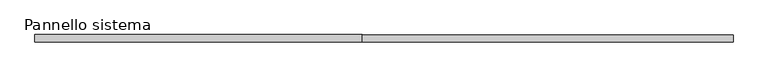
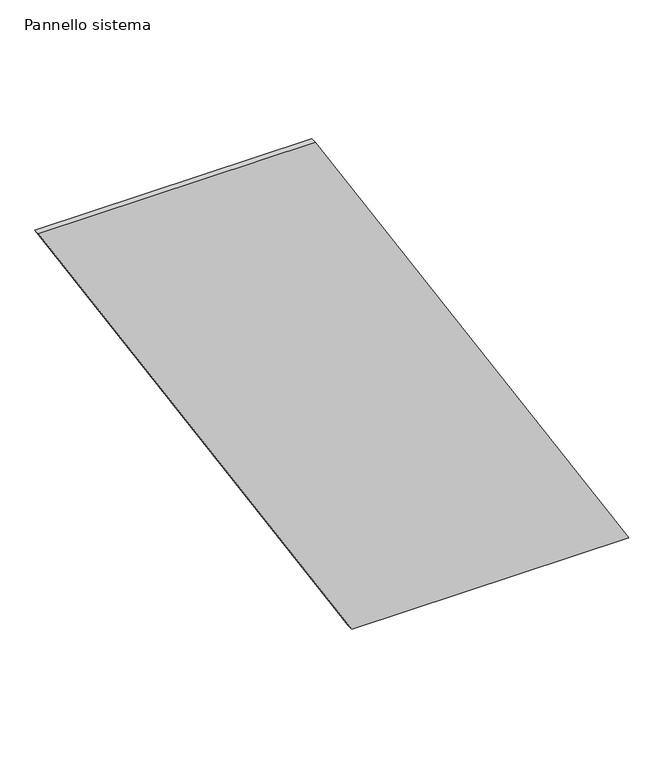
"""IFC4 building model written with IfcOpenShell, lengths in millimetres: plate geometry, Pannello sistema."""

import ifcopenshell
import ifcopenshell.guid

model = None  # the IFC model being written
_history = None  # IfcOwnerHistory: only IFC2X3 demands one
_inside = {}  # id of a spatial element -> (the spatial element, [elements in it])
_under = {}  # id of a project, library or spatial element -> (it, [spatial elements below it])
_declared = {}  # id of a project -> (the project, [libraries it declares])
_typed = {}  # id of a type object -> (the type object, [elements of that type])
_made_of = {}  # id of a material, layer set ... -> (it, [elements and type objects made of it])


def new_model(schema):
    """Start an empty IFC model of exactly this schema.

    Asked for "IFC4X3", IfcOpenShell would pick the latest addendum, in which some entities
    have other attributes; the version numbers below select the first issue.
    IFC2X3 requires an IfcOwnerHistory on every rooted entity: one is made here for all.
    """
    global model, _history
    if schema == "IFC4X3":
        model = ifcopenshell.file(schema_version=(4, 3, 0, 0))
    else:
        model = ifcopenshell.file(schema=schema)
    _inside.clear()
    _under.clear()
    _declared.clear()
    _typed.clear()
    _made_of.clear()
    _history = None
    if model.schema == "IFC2X3":
        org = make("IfcOrganization", Name="unknown")
        user = make(
            "IfcPersonAndOrganization",
            ThePerson=make("IfcPerson", FamilyName="unknown"),
            TheOrganization=org,
        )
        app = make(
            "IfcApplication",
            ApplicationDeveloper=org,
            Version="unknown",
            ApplicationFullName="unknown",
            ApplicationIdentifier="unknown",
        )
        _history = make(
            "IfcOwnerHistory",
            OwningUser=user,
            OwningApplication=app,
            ChangeAction="ADDED",
            CreationDate=0,
        )
    return model


def make(cls, **values):
    """One entity of the class cls with the attributes given. An attribute that is None is left unset."""
    return model.create_entity(
        cls, **{name: value for name, value in values.items() if value is not None}
    )


def rooted(cls, **values):
    """An entity with a GlobalId (a new one), such as an element, a storey or a relation."""
    return make(cls, GlobalId=ifcopenshell.guid.new(), OwnerHistory=_history, **values)


def si_unit(unit_type, name, prefix=None):
    """IfcSIUnit, for example si_unit("LENGTHUNIT", "METRE", prefix="MILLI")."""
    return make("IfcSIUnit", UnitType=unit_type, Prefix=prefix, Name=name)


def assignment(units):
    """IfcUnitAssignment: the units of a project."""
    return None if units is None else make("IfcUnitAssignment", Units=units)


def point(xyz):
    """IfcCartesianPoint."""
    return None if xyz is None else make("IfcCartesianPoint", Coordinates=xyz)


def direction(xyz):
    """IfcDirection."""
    return None if xyz is None else make("IfcDirection", DirectionRatios=xyz)


def frame(location, z_axis=None, x_axis=None):
    """IfcAxis2Placement3D, a coordinate frame: its origin and axes. An axis left out is left unset."""
    return make(
        "IfcAxis2Placement3D",
        Location=point(location),
        Axis=direction(z_axis),
        RefDirection=direction(x_axis),
    )


def origin():
    """The frame at (0, 0, 0) with its axes left unset."""
    return frame((0.0, 0.0, 0.0))


def place(relative_to, where):
    """IfcLocalPlacement: puts the frame where relative to a parent placement (None: the world)."""
    return make(
        "IfcLocalPlacement", PlacementRelTo=relative_to, RelativePlacement=where
    )


def context(
    kind, dimensions, precision=None, world=None, true_north=None, identifier=None
):
    """IfcGeometricRepresentationContext, for example the 3D "Model" context."""
    return make(
        "IfcGeometricRepresentationContext",
        ContextIdentifier=identifier,
        ContextType=kind,
        CoordinateSpaceDimension=dimensions,
        Precision=precision,
        WorldCoordinateSystem=world,
        TrueNorth=true_north,
    )


def project(units=None, contexts=None):
    """IfcProject with its units and contexts."""
    return rooted(
        "IfcProject",
        Name="project",
        RepresentationContexts=contexts,
        UnitsInContext=assignment(units),
    )


def spatial(cls, under=None, at=None, **own):
    """A site, building, storey or space (cls), placed at a placement, below another one or the project."""
    s = rooted(cls, ObjectPlacement=at, **own)
    if under is not None:
        _under.setdefault(under.id(), (under, []))[1].append(s)
    return s


def polyline(points):
    """IfcPolyline through the points."""
    return make("IfcPolyline", Points=[point(p) for p in points])


def outline(outer, holes=None, kind="AREA"):
    """IfcArbitraryClosedProfileDef: a profile drawn as a closed curve; with holes, ...WithVoids."""
    if holes is None:
        return make("IfcArbitraryClosedProfileDef", ProfileType=kind, OuterCurve=outer)
    return make(
        "IfcArbitraryProfileDefWithVoids",
        ProfileType=kind,
        OuterCurve=outer,
        InnerCurves=holes,
    )


def extrude(swept, where, along, depth):
    """IfcExtrudedAreaSolid: the profile swept, set in the frame where, extruded along a direction by depth."""
    return make(
        "IfcExtrudedAreaSolid",
        SweptArea=swept,
        Position=where,
        ExtrudedDirection=direction(along),
        Depth=depth,
    )


def shape(context_of_items, identifier, shape_type, items):
    """IfcShapeRepresentation: the items that make up one representation, for example the "Body"."""
    return make(
        "IfcShapeRepresentation",
        ContextOfItems=context_of_items,
        RepresentationIdentifier=identifier,
        RepresentationType=shape_type,
        Items=items,
    )


def source(mapping_origin, context_of_items, identifier, shape_type, items):
    """IfcRepresentationMap: a shape defined once, which mapped items show again and again."""
    return make(
        "IfcRepresentationMap",
        MappingOrigin=mapping_origin,
        MappedRepresentation=shape(context_of_items, identifier, shape_type, items),
    )


def transform(
    local_origin,
    x_axis=None,
    y_axis=None,
    z_axis=None,
    scale=None,
    scale2=None,
    scale3=None,
    uniform=True,
):
    """IfcCartesianTransformationOperator3D, or its non-uniform kind. x_axis, y_axis, z_axis: its Axis1, 2, 3."""
    if uniform:
        return make(
            "IfcCartesianTransformationOperator3D",
            Axis1=direction(x_axis),
            Axis2=direction(y_axis),
            LocalOrigin=point(local_origin),
            Scale=scale,
            Axis3=direction(z_axis),
        )
    return make(
        "IfcCartesianTransformationOperator3DnonUniform",
        Axis1=direction(x_axis),
        Axis2=direction(y_axis),
        LocalOrigin=point(local_origin),
        Scale=scale,
        Axis3=direction(z_axis),
        Scale2=scale2,
        Scale3=scale3,
    )


def mapped(mapping_source, mapping_target):
    """IfcMappedItem: shows the shape of a source again, moved by a transform."""
    return make(
        "IfcMappedItem", MappingSource=mapping_source, MappingTarget=mapping_target
    )


def made_of(thing, what):
    """Note that an element or type object is made of a material, layer set ...; save() writes the relation."""
    if what is not None:
        _made_of.setdefault(what.id(), (what, []))[1].append(thing)
    return thing


def element(
    cls,
    number,
    at=None,
    inside=None,
    cuts=None,
    type_object=None,
    material=None,
    context=None,
    identifier="Body",
    shape_type=None,
    held_by="IfcProductDefinitionShape",
    body=None,
    shapes=None,
    **own,
):
    """One element of the class cls, such as IfcWall. Its Tag is "e" and its number.

    at: its placement. inside: the storey or other place that contains it. cuts: it is an
    opening in that element (IfcRelVoidsElement). A single representation is given by context,
    identifier, shape_type and body (its items); several are given by shapes. held_by: the class
    of the entity that holds the representations. save() writes the other relations.
    """
    e = rooted(cls, Tag="e%d" % number, ObjectPlacement=at, **own)
    if body is not None:
        shapes = [shape(context, identifier, shape_type, body)]
    if shapes is not None:
        e.Representation = make(held_by, Representations=shapes)
    if inside is not None:
        _inside.setdefault(inside.id(), (inside, []))[1].append(e)
    if cuts is not None:
        rooted(
            "IfcRelVoidsElement", RelatingBuildingElement=cuts, RelatedOpeningElement=e
        )
    if type_object is not None:
        _typed.setdefault(type_object.id(), (type_object, []))[1].append(e)
    return made_of(e, material)


def aggregate(whole, parts):
    """IfcRelAggregates: a whole, such as a stair, and the parts it consists of."""
    return rooted("IfcRelAggregates", RelatingObject=whole, RelatedObjects=parts)


def save(model, path):
    """Write the relations noted so far, then the file.

    IfcRelAggregates (storeys below a building ...), IfcRelContainedInSpatialStructure (elements
    in a storey), IfcRelDefinesByType, IfcRelAssociatesMaterial and IfcRelDeclares: one each for
    every whole, place, type object, material and project.
    """
    for whole, parts in _under.values():
        aggregate(whole, parts)
    for where, things in _inside.values():
        rooted(
            "IfcRelContainedInSpatialStructure",
            RelatedElements=things,
            RelatingStructure=where,
        )
    for kind, things in _typed.values():
        rooted("IfcRelDefinesByType", RelatedObjects=things, RelatingType=kind)
    for what, things in _made_of.values():
        rooted("IfcRelAssociatesMaterial", RelatedObjects=things, RelatingMaterial=what)
    for by, libraries in _declared.values():
        rooted("IfcRelDeclares", RelatingContext=by, RelatedDefinitions=libraries)
    model.write(path)


def pannello_sistema_b23bf715(model_context):
    return source(origin(), model_context, "Body", "SweptSolid", [
        extrude(outline(polyline([(0.0, 75.6991845), (0.0, 1221.2448004), (2184.3026168, -75.6991845), (2184.3026168, -1221.2448004), (0.0, 75.6991845)])), frame((0.0, -12.5, 0.0), z_axis=(0.0, 1.0, 0.0), x_axis=(0.0, 0.0, 1.0)), (0.0, 0.0, 1.0), 25.0),
    ])


if __name__ == "__main__":
    model = new_model("IFC4")
    model_context = context("Model", 3, world=origin())
    ifc_project = project(units=[si_unit("LENGTHUNIT", "METRE", prefix="MILLI")], contexts=[model_context])
    site = spatial("IfcSite", under=ifc_project)
    building = spatial("IfcBuilding", under=site)
    placement = place(None, origin())
    pannello_sistema_shape = pannello_sistema_b23bf715(model_context)
    element("IfcPlate", 1, ObjectType="Pannello sistema", at=placement, inside=building, context=model_context, shape_type="MappedRepresentation", body=[
        mapped(pannello_sistema_shape, transform((0.0, 0.0, 0.0), x_axis=(1.0, 0.0, 0.0), y_axis=(0.0, 1.0, 0.0), z_axis=(0.0, 0.0, 1.0))),
    ])
    save(model, "model.ifc")
